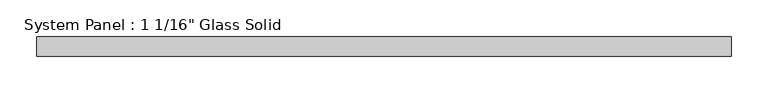
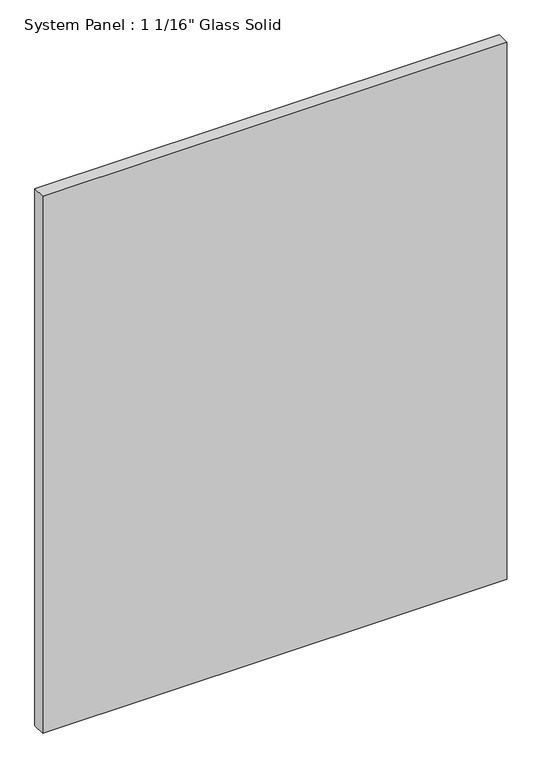
"""IFC4 building model written with IfcOpenShell, lengths in millimetres: plate geometry."""

from ifc_helpers import new_model, si_unit, origin, origin_with_axes, place, context, project, spatial, polyline, outline, extrude, source, transform, mapped, element, save


def plate_fa2d7f73(model_context):
    return source(origin(), model_context, "Body", "SweptSolid", [
        extrude(outline(polyline([(475.6720691, -13.49375), (-475.6720691, -13.49375), (-475.6720691, 13.49375), (475.6720691, 13.49375), (475.6720691, -13.49375)])), origin_with_axes(), (0.0, 0.0, 1.0), 1163.643596),
    ])


if __name__ == "__main__":
    model = new_model("IFC4")
    model_context = context("Model", 3, world=origin())
    ifc_project = project(units=[si_unit("LENGTHUNIT", "METRE", prefix="MILLI")], contexts=[model_context])
    site = spatial("IfcSite", under=ifc_project)
    building = spatial("IfcBuilding", under=site)
    placement = place(None, origin())
    plate_shape = plate_fa2d7f73(model_context)
    element("IfcPlate", 1, ObjectType="System Panel : 1 1/16\" Glass Solid", at=placement, inside=building, context=model_context, shape_type="MappedRepresentation", body=[
        mapped(plate_shape, transform((0.0, 0.0, 0.0), x_axis=(1.0, 0.0, 0.0), y_axis=(0.0, 1.0, 0.0), z_axis=(0.0, 0.0, 1.0))),
    ])
    save(model, "model.ifc")
